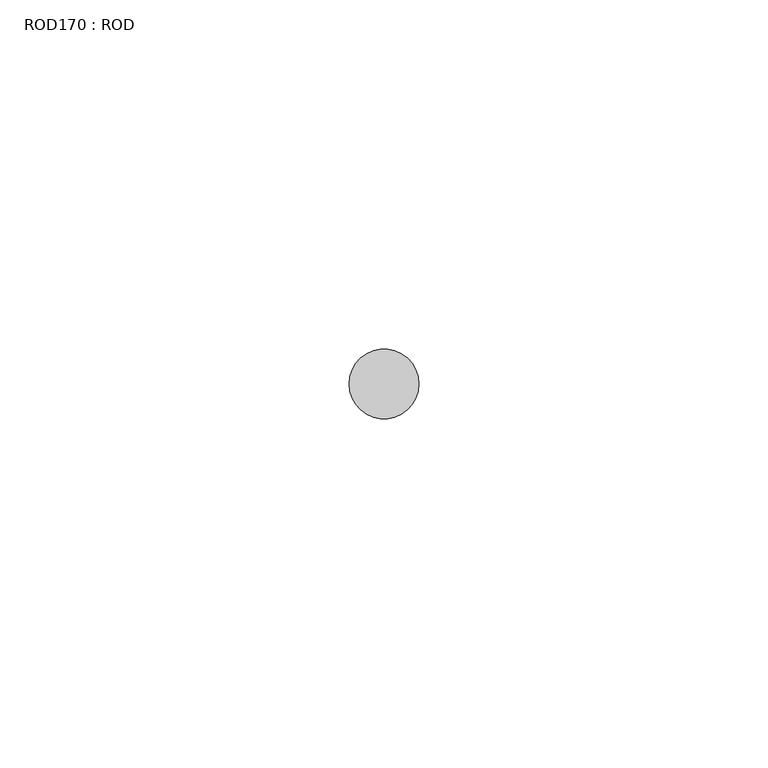
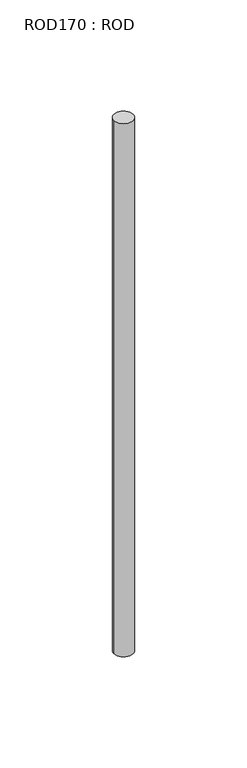
"""IFC4 building model written with IfcOpenShell, lengths in millimetres: proxy geometry, ROD170 : ROD."""

from ifc_helpers import new_model, si_unit, point, frame, frame_2d, origin, place, context, project, spatial, circle_curve, trimmed, segment, composite_curve, outline, extrude, source, transform, mapped, element, save


def rod170_rod_efe6a496(model_context):
    return source(origin(), model_context, "Body", "SweptSolid", [
        extrude(outline(composite_curve([segment(trimmed(circle_curve(frame_2d((7799.7673324, -21766.6028424)), 5.0), [point((7794.7673324, -21766.6028424))], [point((7804.7673324, -21766.6028424))], False, "CARTESIAN"), True, "CONTINUOUS"), segment(trimmed(circle_curve(frame_2d((7799.7673324, -21766.6028424)), 5.0), [point((7804.7673324, -21766.6028424))], [point((7794.7673324, -21766.6028424))], False, "CARTESIAN"), True, "CONTINUOUS")], self_intersect=False)), frame((0.0, 0.0, 166.3391155), z_axis=(0.0, 0.0, 1.0), x_axis=(1.0, 0.0, 0.0)), (0.0, 0.0, 1.0), 298.9028972),
    ])


if __name__ == "__main__":
    model = new_model("IFC4")
    model_context = context("Model", 3, world=origin())
    ifc_project = project(units=[si_unit("LENGTHUNIT", "METRE", prefix="MILLI")], contexts=[model_context])
    site = spatial("IfcSite", under=ifc_project)
    building = spatial("IfcBuilding", under=site)
    placement = place(None, origin())
    rod170_rod_shape = rod170_rod_efe6a496(model_context)
    element("IfcBuildingElementProxy", 1, Name="ROD170 : ROD", ObjectType="ROD170 : ROD", at=placement, inside=building, context=model_context, shape_type="MappedRepresentation", body=[
        mapped(rod170_rod_shape, transform((0.0, 0.0, 0.0), x_axis=(1.0, 0.0, 0.0), y_axis=(0.0, 1.0, 0.0), z_axis=(0.0, 0.0, 1.0))),
    ])
    save(model, "model.ifc")
